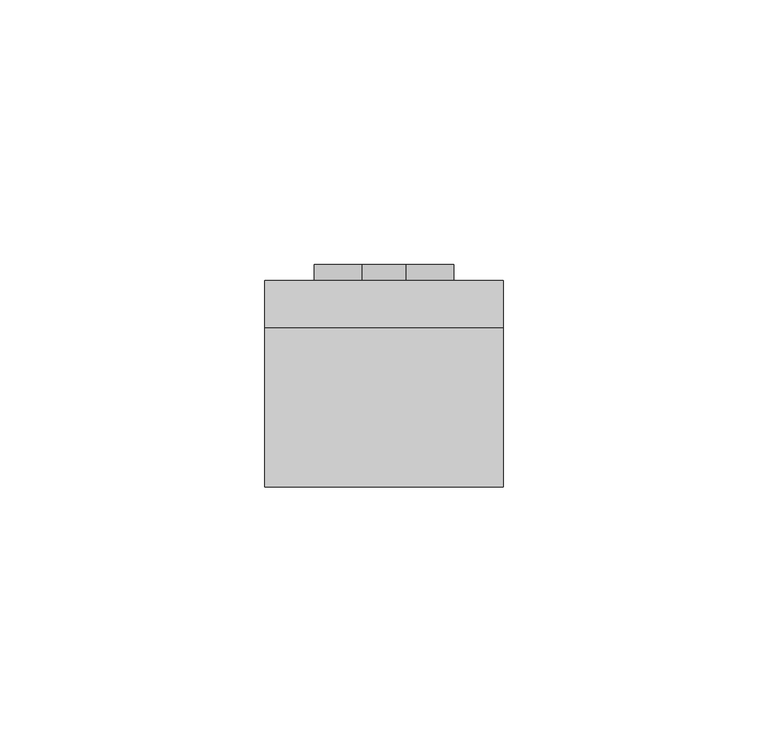
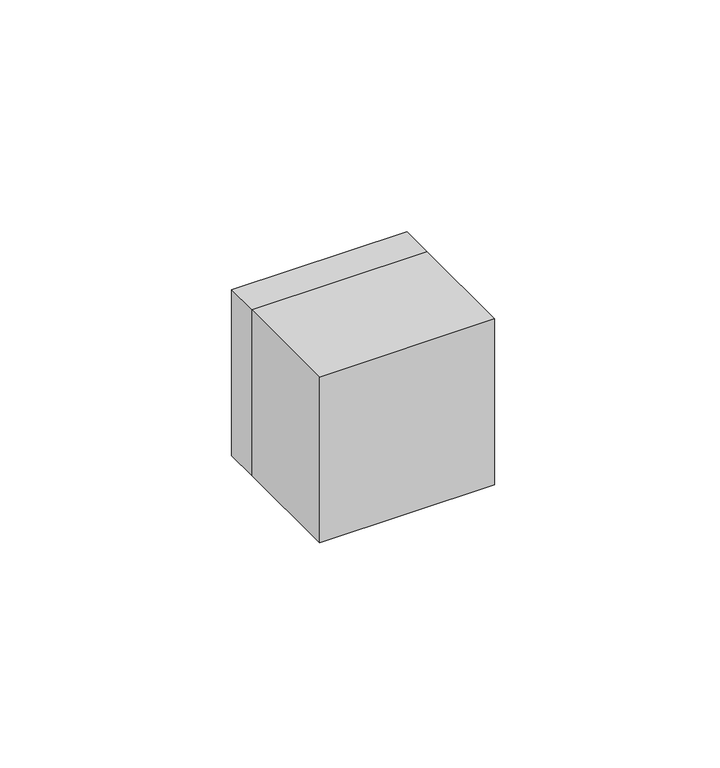
"""IFC4 building model written with IfcOpenShell, lengths in millimetres: electric appliance geometry."""

from ifc_helpers import new_model, si_unit, point, frame, frame_2d, origin, place, context, project, spatial, polyline, circle_curve, trimmed, segment, composite_curve, outline, extrude, source, transform, mapped, element, save


def electric_appliance_1a14dde5(model_context):
    return source(origin(), model_context, "Body", "SweptSolid", [
        extrude(outline(composite_curve([segment(trimmed(circle_curve(frame_2d((-7.5, 0.0)), 4.5), [point((-7.5, -4.5))], [point((-7.5, 4.5))], False, "CARTESIAN"), True, "CONTINUOUS"), segment(trimmed(circle_curve(frame_2d((-7.5, 0.0)), 4.5), [point((-7.5, 4.5))], [point((-7.5, -4.5))], False, "CARTESIAN"), True, "CONTINUOUS")], self_intersect=False), holes=[composite_curve([segment(trimmed(circle_curve(frame_2d((-7.5, 0.0)), 2.5), [point((-7.5, 2.5))], [point((-7.5, -2.5))], True, "CARTESIAN"), True, "CONTINUOUS"), segment(trimmed(circle_curve(frame_2d((-7.5, 0.0)), 2.5), [point((-7.5, -2.5))], [point((-7.5, 2.5))], True, "CARTESIAN"), True, "CONTINUOUS")], self_intersect=False)]), frame((0.0, 0.0, 0.0), z_axis=(0.0, 1.0, 0.0), x_axis=(0.0, 0.0, 1.0)), (0.0, 0.0, 1.0), 12.0),
        extrude(outline(composite_curve([segment(trimmed(circle_curve(frame_2d((7.5, -8.660254)), 4.5), [point((7.5, -13.160254))], [point((7.5, -4.160254))], False, "CARTESIAN"), True, "CONTINUOUS"), segment(trimmed(circle_curve(frame_2d((7.5, -8.660254)), 4.5), [point((7.5, -4.160254))], [point((7.5, -13.160254))], False, "CARTESIAN"), True, "CONTINUOUS")], self_intersect=False), holes=[composite_curve([segment(trimmed(circle_curve(frame_2d((7.5, -8.660254)), 2.5), [point((7.5, -6.160254))], [point((7.5, -11.160254))], True, "CARTESIAN"), True, "CONTINUOUS"), segment(trimmed(circle_curve(frame_2d((7.5, -8.660254)), 2.5), [point((7.5, -11.160254))], [point((7.5, -6.160254))], True, "CARTESIAN"), True, "CONTINUOUS")], self_intersect=False)]), frame((0.0, 0.0, 0.0), z_axis=(0.0, 1.0, 0.0), x_axis=(0.0, 0.0, 1.0)), (0.0, 0.0, 1.0), 12.0),
        extrude(outline(composite_curve([segment(trimmed(circle_curve(frame_2d((7.5, 8.660254)), 4.5), [point((7.5, 4.160254))], [point((7.5, 13.160254))], False, "CARTESIAN"), True, "CONTINUOUS"), segment(trimmed(circle_curve(frame_2d((7.5, 8.660254)), 4.5), [point((7.5, 13.160254))], [point((7.5, 4.160254))], False, "CARTESIAN"), True, "CONTINUOUS")], self_intersect=False), holes=[composite_curve([segment(trimmed(circle_curve(frame_2d((7.5, 8.660254)), 2.5), [point((7.5, 11.160254))], [point((7.5, 6.160254))], True, "CARTESIAN"), True, "CONTINUOUS"), segment(trimmed(circle_curve(frame_2d((7.5, 8.660254)), 2.5), [point((7.5, 6.160254))], [point((7.5, 11.160254))], True, "CARTESIAN"), True, "CONTINUOUS")], self_intersect=False)]), frame((0.0, 0.0, 0.0), z_axis=(0.0, 1.0, 0.0), x_axis=(0.0, 0.0, 1.0)), (0.0, 0.0, 1.0), 12.0),
        extrude(outline(polyline([(22.5, -30.0), (-22.5, -30.0), (-22.5, 0.0), (22.5, 0.0), (22.5, -30.0)])), frame((0.0, 0.0, -22.5), z_axis=(0.0, 0.0, 1.0), x_axis=(1.0, 0.0, 0.0)), (0.0, 0.0, 1.0), 45.0),
        extrude(outline(polyline([(22.5, 22.5), (22.5, -22.5), (-22.5, -22.5), (-22.5, 22.5), (22.5, 22.5)]), holes=[composite_curve([segment(trimmed(circle_curve(frame_2d((7.5, 8.660254)), 5.5), [point((7.5, 14.160254))], [point((7.5, 3.160254))], True, "CARTESIAN"), True, "CONTINUOUS"), segment(trimmed(circle_curve(frame_2d((7.5, 8.660254)), 5.5), [point((7.5, 3.160254))], [point((7.5, 14.160254))], True, "CARTESIAN"), True, "CONTINUOUS")], self_intersect=False), composite_curve([segment(trimmed(circle_curve(frame_2d((7.5, -8.660254)), 5.5), [point((7.5, -3.160254))], [point((7.5, -14.160254))], True, "CARTESIAN"), True, "CONTINUOUS"), segment(trimmed(circle_curve(frame_2d((7.5, -8.660254)), 5.5), [point((7.5, -14.160254))], [point((7.5, -3.160254))], True, "CARTESIAN"), True, "CONTINUOUS")], self_intersect=False), composite_curve([segment(trimmed(circle_curve(frame_2d((-7.5, 0.0)), 5.5), [point((-7.5, 5.5))], [point((-7.5, -5.5))], True, "CARTESIAN"), True, "CONTINUOUS"), segment(trimmed(circle_curve(frame_2d((-7.5, 0.0)), 5.5), [point((-7.5, -5.5))], [point((-7.5, 5.5))], True, "CARTESIAN"), True, "CONTINUOUS")], self_intersect=False)]), frame((0.0, 0.0, 0.0), z_axis=(0.0, 1.0, 0.0), x_axis=(0.0, 0.0, 1.0)), (0.0, 0.0, 1.0), 9.0),
    ])


if __name__ == "__main__":
    model = new_model("IFC4")
    model_context = context("Model", 3, world=origin())
    ifc_project = project(units=[si_unit("LENGTHUNIT", "METRE", prefix="MILLI")], contexts=[model_context])
    site = spatial("IfcSite", under=ifc_project)
    building = spatial("IfcBuilding", under=site)
    placement = place(None, origin())
    electric_appliance_shape = electric_appliance_1a14dde5(model_context)
    element("IfcElectricAppliance", 1, at=placement, inside=building, context=model_context, shape_type="MappedRepresentation", body=[
        mapped(electric_appliance_shape, transform((0.0, 0.0, 0.0), x_axis=(1.0, 0.0, 0.0), y_axis=(0.0, 1.0, 0.0), z_axis=(0.0, 0.0, 1.0))),
    ])
    save(model, "model.ifc")
